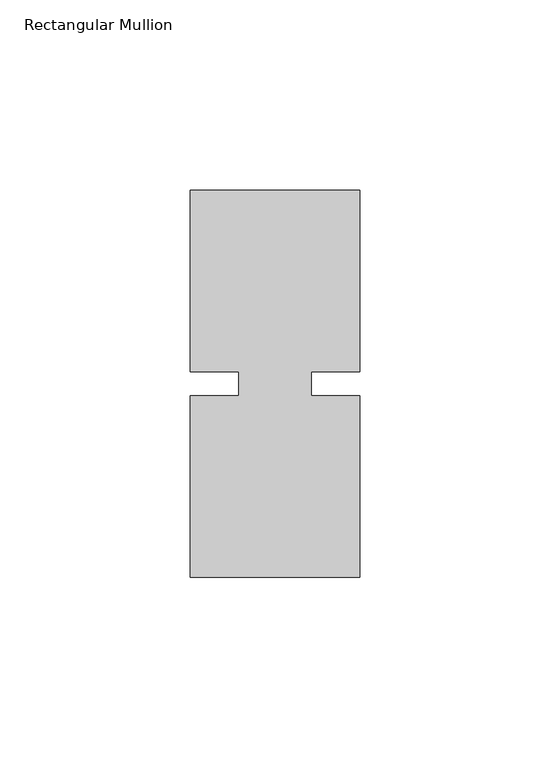
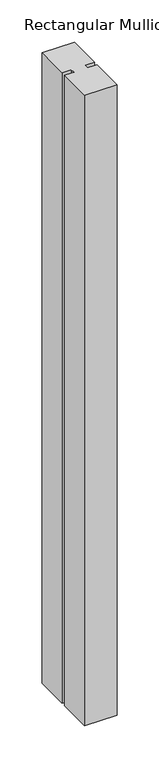
"""IFC4 building model written with IfcOpenShell, lengths in millimetres: member geometry, Rectangular Mullion."""

from ifc_helpers import new_model, si_unit, frame, origin, place, context, project, spatial, polyline, outline, extrude, source, transform, mapped, element, save


def rectangular_mullion_06e047d5(model_context):
    return source(origin(), model_context, "Body", "SweptSolid", [
        extrude(outline(polyline([(26.5594027, 50.8), (26.5594027, 3.175), (13.8576322, 3.175), (13.8576322, -3.175), (26.5594027, -3.175), (26.5594027, -50.8), (-17.8905973, -50.8), (-17.8905973, -3.175), (-5.1905973, -3.175), (-5.1905973, 3.175), (-17.8905973, 3.175), (-17.8905973, 50.8), (26.5594027, 50.8)])), frame((0.0, 0.0, -914.4), z_axis=(0.0, 0.0, 1.0), x_axis=(1.0, 0.0, 0.0)), (0.0, 0.0, 1.0), 914.4),
    ])


if __name__ == "__main__":
    model = new_model("IFC4")
    model_context = context("Model", 3, world=origin())
    ifc_project = project(units=[si_unit("LENGTHUNIT", "METRE", prefix="MILLI")], contexts=[model_context])
    site = spatial("IfcSite", under=ifc_project)
    building = spatial("IfcBuilding", under=site)
    placement = place(None, origin())
    rectangular_mullion_shape = rectangular_mullion_06e047d5(model_context)
    element("IfcMember", 1, ObjectType="Rectangular Mullion", at=placement, inside=building, context=model_context, shape_type="MappedRepresentation", body=[
        mapped(rectangular_mullion_shape, transform((0.0, 0.0, 0.0), x_axis=(1.0, 0.0, 0.0), y_axis=(0.0, 1.0, 0.0), z_axis=(0.0, 0.0, 1.0))),
    ])
    save(model, "model.ifc")
